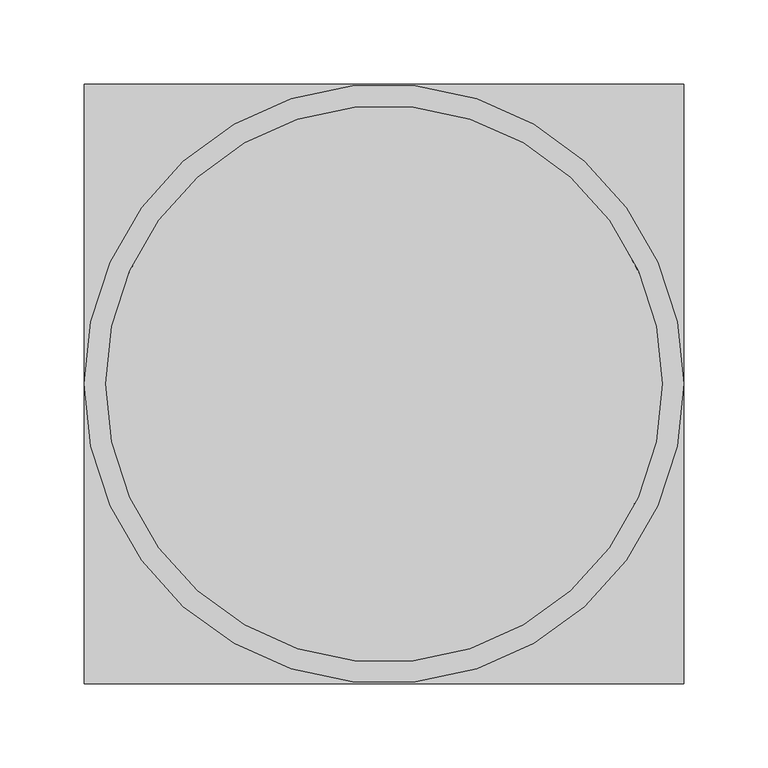
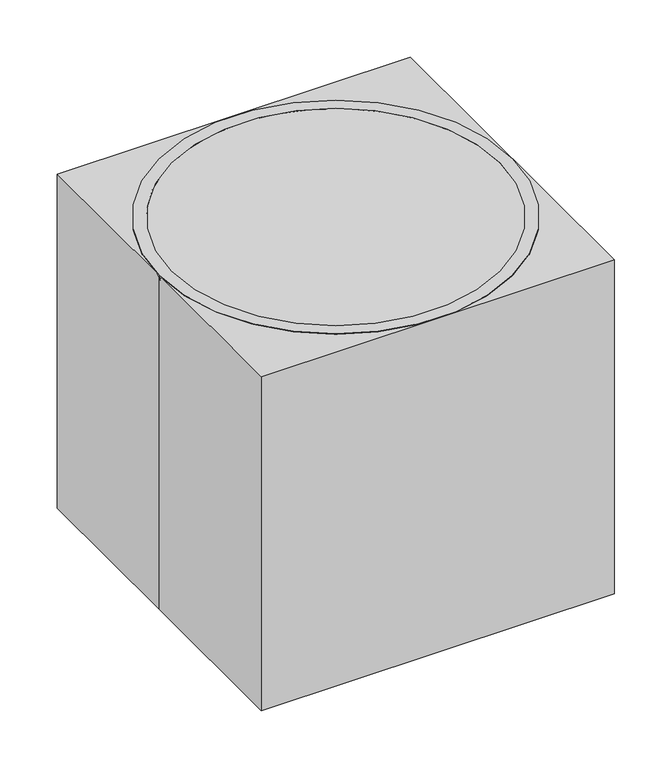
"""IFC4 building model written with IfcOpenShell, lengths in millimetres: proxy geometry."""

from ifc_helpers import new_model, si_unit, frame, origin, origin_with_axes, place, context, project, spatial, polyline, circle_curve, outline, extrude, source, transform, mapped, element, save
from ifc_brep_helpers import plane_surface, revolved_surface, advanced_brep


def specialty_equipment_3ea2efa6(model_context):
    return source(origin(), model_context, "Body", "SolidModel", [
        advanced_brep(
        [(-127.0, 0.0, 0.0), (127.0, 0.0, 0.0), (-177.8, 0.0, 355.6), (177.8, 0.0, 355.6), (-165.1, 0.0, 355.6), (165.1, 0.0, 355.6), (114.3, 0.0, 19.5959229), (-114.3, 0.0, 19.5959229)],
        [
            (0, 1, circle_curve(frame((0.0, 0.0, 0.0), z_axis=(0.0, 0.0, -1.0), x_axis=(1.0, 0.0, 0.0)), 127.0)),
            (1, 0, circle_curve(frame((0.0, 0.0, 0.0), z_axis=(0.0, 0.0, -1.0), x_axis=(-1.0, 0.0, 0.0)), 127.0)),
            (2, 3, circle_curve(frame((0.0, 0.0, 355.6), z_axis=(0.0, 0.0, 1.0), x_axis=(-1.0, 0.0, 0.0)), 177.8)),
            (3, 2, circle_curve(frame((0.0, 0.0, 355.6), z_axis=(0.0, 0.0, 1.0), x_axis=(1.0, 0.0, 0.0)), 177.8)),
            (4, 5, circle_curve(frame((0.0, 0.0, 355.6), z_axis=(0.0, 0.0, -1.0), x_axis=(1.0, 0.0, 0.0)), 165.1)),
            (5, 4, circle_curve(frame((0.0, 0.0, 355.6), z_axis=(0.0, 0.0, -1.0), x_axis=(-1.0, 0.0, 0.0)), 165.1)),
            (0, 2),
            (3, 1),
            (6, 7, circle_curve(frame((0.0, 0.0, 19.5959229), z_axis=(0.0, 0.0, 1.0), x_axis=(1.0, 0.0, 0.0)), 114.3)),
            (7, 6, circle_curve(frame((0.0, 0.0, 19.5959229), z_axis=(0.0, 0.0, 1.0), x_axis=(-1.0, 0.0, 0.0)), 114.3)),
            (7, 4),
            (5, 6),
        ],
        [
            plane_surface(frame((0.0, 0.0, 0.0), z_axis=(0.0, 0.0, -1.0), x_axis=(0.0, 1.0, 0.0))),
            plane_surface(frame((0.0, 0.0, 355.6), z_axis=(0.0, 0.0, 1.0), x_axis=(0.0, 1.0, 0.0))),
            revolved_surface(polyline([(-127.00000000000001, 0.0, 0.0), (-177.8, 0.0, 355.5999999999999)]), (0.0, 0.0, -889.0), (0.0, 0.0, 1.0)),
            revolved_surface(polyline([(127.00000000000001, 0.0, 0.0), (177.8, 0.0, 355.5999999999999)]), (0.0, 0.0, -889.0), (0.0, 0.0, 1.0)),
            plane_surface(frame((0.0, 0.0, 19.5959229), z_axis=(0.0, 0.0, 1.0), x_axis=(0.0, 1.0, 0.0))),
            revolved_surface(polyline([(-165.1, 0.0, 355.60000000000014), (-114.299999996511, 0.0, 19.595922900000005)]), (0.0, 0.0, -736.4132505), (0.0, 0.0, 1.0)),
            revolved_surface(polyline([(165.1, 0.0, 355.60000000000014), (114.299999996511, 0.0, 19.595922900000005)]), (0.0, 0.0, -736.4132505), (0.0, 0.0, 1.0)),
        ],
        [
            (0, [[1, 2]]),
            (1, [[3, 4], [5, 6]]),
            (2, [[7, -4, 8, -1]]),
            (3, [[-8, -3, -7, -2]]),
            (4, [[9, 10]]),
            (5, [[11, -6, 12, -10]]),
            (6, [[-12, -5, -11, -9]]),
        ],
    ),
        extrude(outline(polyline([(-177.8, -177.8), (-177.8, 0.0), (-177.8, 177.8), (177.8, 177.8), (177.8, -177.8), (-177.8, -177.8)])), origin_with_axes(), (0.0, 0.0, 1.0), 355.6),
    ])


if __name__ == "__main__":
    model = new_model("IFC4")
    model_context = context("Model", 3, world=origin())
    ifc_project = project(units=[si_unit("LENGTHUNIT", "METRE", prefix="MILLI")], contexts=[model_context])
    site = spatial("IfcSite", under=ifc_project)
    building = spatial("IfcBuilding", under=site)
    placement = place(None, origin())
    specialty_equipment_shape = specialty_equipment_3ea2efa6(model_context)
    element("IfcBuildingElementProxy", 1, Name="Specialty Equipment", at=placement, inside=building, context=model_context, shape_type="MappedRepresentation", body=[
        mapped(specialty_equipment_shape, transform((0.0, 0.0, 0.0), x_axis=(1.0, 0.0, 0.0), y_axis=(0.0, 1.0, 0.0), z_axis=(0.0, 0.0, 1.0))),
    ])
    save(model, "model.ifc")
